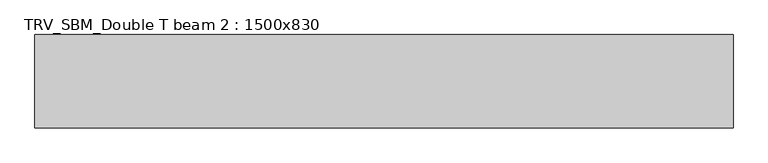
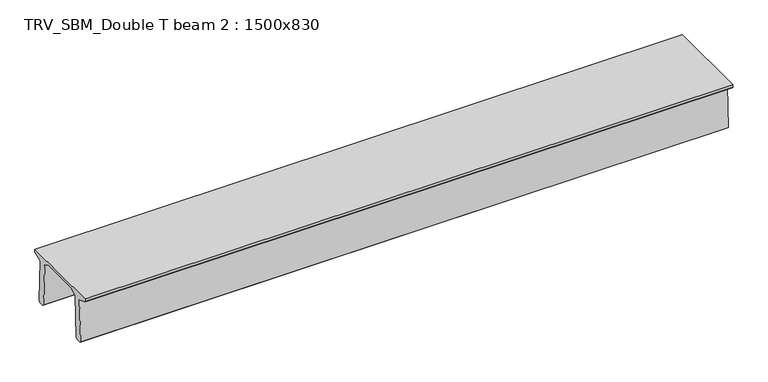
"""IFC4 building model written with IfcOpenShell, lengths in millimetres: beam geometry, TRV_SBM_Double T beam 2 : 1500x830."""

from ifc_helpers import new_model, si_unit, frame, origin, place, context, project, spatial, polyline, outline, extrude, source, transform, mapped, element, save


def trv_sbm_double_t_beam_2_1500x830_7141a136(model_context):
    return source(origin(), model_context, "Body", "SweptSolid", [
        extrude(outline(polyline([(337.4555014, 470.0), (-343.4555014, 470.0), (-456.5828437, 409.8491251), (-494.786332, -340.5206011), (-514.2657308, -360.0), (-604.2657308, -360.0), (-624.8277662, -339.4379646), (-586.9373878, 401.9654693), (-752.8511046, 468.9989621), (-753.0, 475.0), (-753.0, 520.0), (747.0, 520.0), (747.0, 475.0), (746.8511046, 468.9989621), (580.9373878, 401.9654693), (618.8277662, -339.4379646), (598.2657308, -360.0), (508.2657308, -360.0), (488.786332, -340.5206011), (450.5828437, 409.8491251), (337.4555014, 470.0)])), frame((-5597.0, 0.0, 0.0), z_axis=(1.0, 0.0, 0.0), x_axis=(0.0, 1.0, 0.0)), (0.0, 0.0, 1.0), 11194.0),
    ])


if __name__ == "__main__":
    model = new_model("IFC4")
    model_context = context("Model", 3, world=origin())
    ifc_project = project(units=[si_unit("LENGTHUNIT", "METRE", prefix="MILLI")], contexts=[model_context])
    site = spatial("IfcSite", under=ifc_project)
    building = spatial("IfcBuilding", under=site)
    placement = place(None, origin())
    trv_sbm_double_t_beam_2_1500x830_shape = trv_sbm_double_t_beam_2_1500x830_7141a136(model_context)
    element("IfcBeam", 1, ObjectType="TRV_SBM_Double T beam 2 : 1500x830", at=placement, inside=building, context=model_context, shape_type="MappedRepresentation", body=[
        mapped(trv_sbm_double_t_beam_2_1500x830_shape, transform((0.0, 0.0, 0.0), x_axis=(1.0, 0.0, 0.0), y_axis=(0.0, 1.0, 0.0), z_axis=(0.0, 0.0, 1.0))),
    ])
    save(model, "model.ifc")
